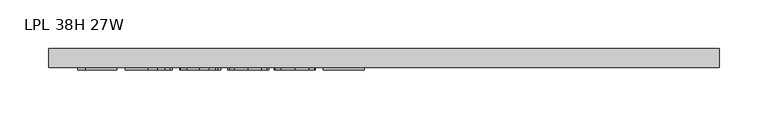
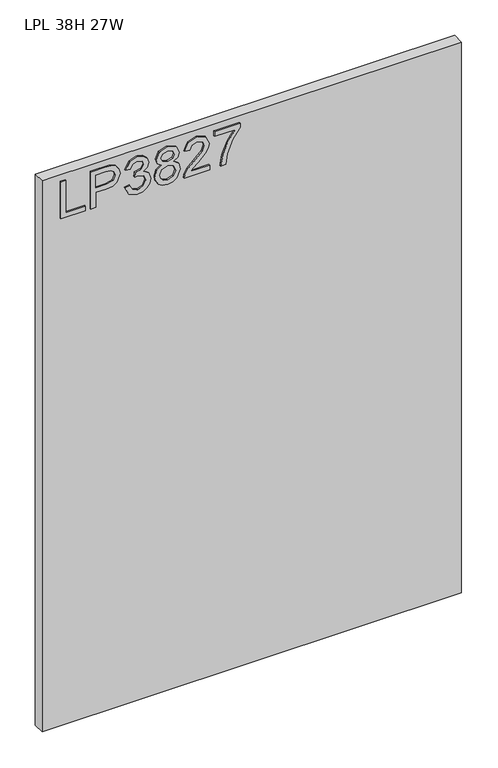
"""IFC4 building model written with IfcOpenShell, lengths in millimetres: furniture geometry, LPL 38H 27W."""

import ifcopenshell
import ifcopenshell.guid

model = None  # the IFC model being written
_history = None  # IfcOwnerHistory: only IFC2X3 demands one
_inside = {}  # id of a spatial element -> (the spatial element, [elements in it])
_under = {}  # id of a project, library or spatial element -> (it, [spatial elements below it])
_declared = {}  # id of a project -> (the project, [libraries it declares])
_typed = {}  # id of a type object -> (the type object, [elements of that type])
_made_of = {}  # id of a material, layer set ... -> (it, [elements and type objects made of it])


def new_model(schema):
    """Start an empty IFC model of exactly this schema.

    Asked for "IFC4X3", IfcOpenShell would pick the latest addendum, in which some entities
    have other attributes; the version numbers below select the first issue.
    IFC2X3 requires an IfcOwnerHistory on every rooted entity: one is made here for all.
    """
    global model, _history
    if schema == "IFC4X3":
        model = ifcopenshell.file(schema_version=(4, 3, 0, 0))
    else:
        model = ifcopenshell.file(schema=schema)
    _inside.clear()
    _under.clear()
    _declared.clear()
    _typed.clear()
    _made_of.clear()
    _history = None
    if model.schema == "IFC2X3":
        org = make("IfcOrganization", Name="unknown")
        user = make(
            "IfcPersonAndOrganization",
            ThePerson=make("IfcPerson", FamilyName="unknown"),
            TheOrganization=org,
        )
        app = make(
            "IfcApplication",
            ApplicationDeveloper=org,
            Version="unknown",
            ApplicationFullName="unknown",
            ApplicationIdentifier="unknown",
        )
        _history = make(
            "IfcOwnerHistory",
            OwningUser=user,
            OwningApplication=app,
            ChangeAction="ADDED",
            CreationDate=0,
        )
    return model


def make(cls, **values):
    """One entity of the class cls with the attributes given. An attribute that is None is left unset."""
    return model.create_entity(
        cls, **{name: value for name, value in values.items() if value is not None}
    )


def rooted(cls, **values):
    """An entity with a GlobalId (a new one), such as an element, a storey or a relation."""
    return make(cls, GlobalId=ifcopenshell.guid.new(), OwnerHistory=_history, **values)


def si_unit(unit_type, name, prefix=None):
    """IfcSIUnit, for example si_unit("LENGTHUNIT", "METRE", prefix="MILLI")."""
    return make("IfcSIUnit", UnitType=unit_type, Prefix=prefix, Name=name)


def assignment(units):
    """IfcUnitAssignment: the units of a project."""
    return None if units is None else make("IfcUnitAssignment", Units=units)


def point(xyz):
    """IfcCartesianPoint."""
    return None if xyz is None else make("IfcCartesianPoint", Coordinates=xyz)


def direction(xyz):
    """IfcDirection."""
    return None if xyz is None else make("IfcDirection", DirectionRatios=xyz)


def frame(location, z_axis=None, x_axis=None):
    """IfcAxis2Placement3D, a coordinate frame: its origin and axes. An axis left out is left unset."""
    return make(
        "IfcAxis2Placement3D",
        Location=point(location),
        Axis=direction(z_axis),
        RefDirection=direction(x_axis),
    )


def origin():
    """The frame at (0, 0, 0) with its axes left unset."""
    return frame((0.0, 0.0, 0.0))


def place(relative_to, where):
    """IfcLocalPlacement: puts the frame where relative to a parent placement (None: the world)."""
    return make(
        "IfcLocalPlacement", PlacementRelTo=relative_to, RelativePlacement=where
    )


def context(
    kind, dimensions, precision=None, world=None, true_north=None, identifier=None
):
    """IfcGeometricRepresentationContext, for example the 3D "Model" context."""
    return make(
        "IfcGeometricRepresentationContext",
        ContextIdentifier=identifier,
        ContextType=kind,
        CoordinateSpaceDimension=dimensions,
        Precision=precision,
        WorldCoordinateSystem=world,
        TrueNorth=true_north,
    )


def project(units=None, contexts=None):
    """IfcProject with its units and contexts."""
    return rooted(
        "IfcProject",
        Name="project",
        RepresentationContexts=contexts,
        UnitsInContext=assignment(units),
    )


def spatial(cls, under=None, at=None, **own):
    """A site, building, storey or space (cls), placed at a placement, below another one or the project."""
    s = rooted(cls, ObjectPlacement=at, **own)
    if under is not None:
        _under.setdefault(under.id(), (under, []))[1].append(s)
    return s


def polyline(points):
    """IfcPolyline through the points."""
    return make("IfcPolyline", Points=[point(p) for p in points])


def outline(outer, holes=None, kind="AREA"):
    """IfcArbitraryClosedProfileDef: a profile drawn as a closed curve; with holes, ...WithVoids."""
    if holes is None:
        return make("IfcArbitraryClosedProfileDef", ProfileType=kind, OuterCurve=outer)
    return make(
        "IfcArbitraryProfileDefWithVoids",
        ProfileType=kind,
        OuterCurve=outer,
        InnerCurves=holes,
    )


def extrude(swept, where, along, depth):
    """IfcExtrudedAreaSolid: the profile swept, set in the frame where, extruded along a direction by depth."""
    return make(
        "IfcExtrudedAreaSolid",
        SweptArea=swept,
        Position=where,
        ExtrudedDirection=direction(along),
        Depth=depth,
    )


def shape(context_of_items, identifier, shape_type, items):
    """IfcShapeRepresentation: the items that make up one representation, for example the "Body"."""
    return make(
        "IfcShapeRepresentation",
        ContextOfItems=context_of_items,
        RepresentationIdentifier=identifier,
        RepresentationType=shape_type,
        Items=items,
    )


def source(mapping_origin, context_of_items, identifier, shape_type, items):
    """IfcRepresentationMap: a shape defined once, which mapped items show again and again."""
    return make(
        "IfcRepresentationMap",
        MappingOrigin=mapping_origin,
        MappedRepresentation=shape(context_of_items, identifier, shape_type, items),
    )


def transform(
    local_origin,
    x_axis=None,
    y_axis=None,
    z_axis=None,
    scale=None,
    scale2=None,
    scale3=None,
    uniform=True,
):
    """IfcCartesianTransformationOperator3D, or its non-uniform kind. x_axis, y_axis, z_axis: its Axis1, 2, 3."""
    if uniform:
        return make(
            "IfcCartesianTransformationOperator3D",
            Axis1=direction(x_axis),
            Axis2=direction(y_axis),
            LocalOrigin=point(local_origin),
            Scale=scale,
            Axis3=direction(z_axis),
        )
    return make(
        "IfcCartesianTransformationOperator3DnonUniform",
        Axis1=direction(x_axis),
        Axis2=direction(y_axis),
        LocalOrigin=point(local_origin),
        Scale=scale,
        Axis3=direction(z_axis),
        Scale2=scale2,
        Scale3=scale3,
    )


def mapped(mapping_source, mapping_target):
    """IfcMappedItem: shows the shape of a source again, moved by a transform."""
    return make(
        "IfcMappedItem", MappingSource=mapping_source, MappingTarget=mapping_target
    )


def made_of(thing, what):
    """Note that an element or type object is made of a material, layer set ...; save() writes the relation."""
    if what is not None:
        _made_of.setdefault(what.id(), (what, []))[1].append(thing)
    return thing


def element(
    cls,
    number,
    at=None,
    inside=None,
    cuts=None,
    type_object=None,
    material=None,
    context=None,
    identifier="Body",
    shape_type=None,
    held_by="IfcProductDefinitionShape",
    body=None,
    shapes=None,
    **own,
):
    """One element of the class cls, such as IfcWall. Its Tag is "e" and its number.

    at: its placement. inside: the storey or other place that contains it. cuts: it is an
    opening in that element (IfcRelVoidsElement). A single representation is given by context,
    identifier, shape_type and body (its items); several are given by shapes. held_by: the class
    of the entity that holds the representations. save() writes the other relations.
    """
    e = rooted(cls, Tag="e%d" % number, ObjectPlacement=at, **own)
    if body is not None:
        shapes = [shape(context, identifier, shape_type, body)]
    if shapes is not None:
        e.Representation = make(held_by, Representations=shapes)
    if inside is not None:
        _inside.setdefault(inside.id(), (inside, []))[1].append(e)
    if cuts is not None:
        rooted(
            "IfcRelVoidsElement", RelatingBuildingElement=cuts, RelatedOpeningElement=e
        )
    if type_object is not None:
        _typed.setdefault(type_object.id(), (type_object, []))[1].append(e)
    return made_of(e, material)


def aggregate(whole, parts):
    """IfcRelAggregates: a whole, such as a stair, and the parts it consists of."""
    return rooted("IfcRelAggregates", RelatingObject=whole, RelatedObjects=parts)


def save(model, path):
    """Write the relations noted so far, then the file.

    IfcRelAggregates (storeys below a building ...), IfcRelContainedInSpatialStructure (elements
    in a storey), IfcRelDefinesByType, IfcRelAssociatesMaterial and IfcRelDeclares: one each for
    every whole, place, type object, material and project.
    """
    for whole, parts in _under.values():
        aggregate(whole, parts)
    for where, things in _inside.values():
        rooted(
            "IfcRelContainedInSpatialStructure",
            RelatedElements=things,
            RelatingStructure=where,
        )
    for kind, things in _typed.values():
        rooted("IfcRelDefinesByType", RelatedObjects=things, RelatingType=kind)
    for what, things in _made_of.values():
        rooted("IfcRelAssociatesMaterial", RelatedObjects=things, RelatingMaterial=what)
    for by, libraries in _declared.values():
        rooted("IfcRelDeclares", RelatingContext=by, RelatedDefinitions=libraries)
    model.write(path)


def lpl_38h_27w_4e51f801(model_context):
    return source(origin(), model_context, "Body", "SweptSolid", [
        extrude(outline(polyline([(1893.8772502, 29.4553512), (1893.8772502, 69.3239493), (1901.8509698, 69.3239493), (1901.8509698, 37.4290708), (1957.6670071, 37.4290708), (1957.6670071, 29.4553512), (1893.8772502, 29.4553512)])), frame((0.0, -21.68525, 0.0), z_axis=(0.0, 1.0, 0.0), x_axis=(0.0, 0.0, 1.0)), (0.0, 0.0, 1.0), 2.38125),
        extrude(outline(polyline([(1893.8772502, 78.2943838), (1893.8772502, 86.2681034), (1919.791839, 86.2681034), (1919.791839, 102.4802951), (1921.2012562, 113.8081941), (1925.4295079, 121.0051769), (1939.2122069, 126.1367015), (1947.9101022, 124.2367137), (1954.0772759, 119.2142047), (1957.059634, 111.4663033), (1957.6670071, 101.9352166), (1957.6670071, 78.2943838), (1893.8772502, 78.2943838)]), holes=[polyline([(1927.7655586, 86.2681034), (1949.6932875, 86.2681034), (1949.6932875, 102.7606212), (1949.148209, 110.7343408), (1945.5351173, 116.1150442), (1938.9318808, 118.1629819), (1930.6934087, 114.6900533), (1927.7655586, 102.9475052), (1927.7655586, 86.2681034)])]), frame((0.0, -21.68525, 0.0), z_axis=(0.0, 1.0, 0.0), x_axis=(0.0, 0.0, 1.0)), (0.0, 0.0, 1.0), 2.38125),
        extrude(outline(polyline([(1910.8214044, 134.1104212), (1897.8796837, 140.4489053), (1892.8805352, 154.434062), (1894.3444603, 162.9567535), (1898.7362356, 169.8675701), (1905.2304565, 174.4462294), (1913.0017183, 175.9724491), (1923.3737833, 172.9200096), (1928.8245682, 164.2299011), (1934.1040427, 170.770843), (1941.4548155, 172.9823043), (1949.4986166, 170.6540405), (1955.4789063, 163.9262145), (1957.6670071, 154.3094726), (1953.2285109, 141.6325043), (1940.722853, 135.1071361), (1939.726138, 143.0808557), (1947.2015001, 146.9898472), (1949.6932875, 154.5897987), (1947.2248607, 162.0963082), (1940.9876054, 165.0085847), (1933.948306, 160.9905775), (1931.7524184, 150.6652336), (1923.7786988, 149.7775343), (1924.6508243, 155.3684822), (1921.3881402, 164.4323588), (1913.1418814, 167.9987295), (1904.3894782, 164.4012115), (1900.8542549, 154.7143881), (1903.4239106, 146.4837029), (1911.8181193, 142.0841408), (1910.8214044, 134.1104212)])), frame((0.0, -21.68525, 0.0), z_axis=(0.0, 1.0, 0.0), x_axis=(0.0, 0.0, 1.0)), (0.0, 0.0, 1.0), 2.38125),
        extrude(outline(polyline([(1929.0114523, 194.5674125), (1923.2180466, 185.970746), (1912.6590976, 182.9494538), (1904.9014626, 184.3900184), (1898.5415647, 188.7117121), (1894.2957926, 195.3850302), (1892.8805352, 203.8804678), (1894.2899525, 212.3759054), (1898.5182042, 219.0492235), (1912.4410662, 224.8114818), (1922.7586233, 221.9069921), (1929.0114523, 213.4271282), (1933.9405192, 220.4897881), (1941.4548155, 222.8180519), (1952.9481848, 217.5852984), (1957.6670071, 203.7714521), (1953.0572005, 190.0821952), (1941.6728469, 184.9428837), (1933.9638797, 187.3022949), (1929.0114523, 194.5674125)]), holes=[polyline([(1941.4392418, 192.9166033), (1947.2637948, 195.7899457), (1949.6932875, 203.8804678), (1947.209287, 211.9476295), (1941.0810474, 214.8443323), (1935.1630524, 212.0410715), (1932.7491333, 203.9739098), (1935.178626, 195.7432246), (1941.4392418, 192.9166033)]), polyline([(1912.9394237, 190.9231734), (1921.3959271, 194.2948732), (1924.7754137, 203.6780101), (1921.3492061, 213.3336862), (1912.6902449, 216.8377622), (1904.1948073, 213.4427019), (1900.8542549, 203.9427625), (1902.4427693, 196.9657578), (1906.9357734, 192.2547223), (1912.9394237, 190.9231734)])]), frame((0.0, -21.68525, 0.0), z_axis=(0.0, 1.0, 0.0), x_axis=(0.0, 0.0, 1.0)), (0.0, 0.0, 1.0), 2.38125),
        extrude(outline(polyline([(1901.8509698, 272.6537995), (1901.8509698, 241.3351469), (1905.9079111, 244.9326649), (1913.5779442, 254.1055572), (1924.5028745, 265.528845), (1932.3208574, 270.2398805), (1939.8818747, 271.6570846), (1952.558843, 266.4009706), (1957.6670071, 252.127701), (1953.0727742, 237.9011524), (1939.726138, 231.7884865), (1938.7294231, 239.7622061), (1946.781011, 243.1183322), (1949.6932875, 251.9563906), (1946.7109295, 260.4362545), (1939.3990909, 263.6833649), (1930.3663617, 260.2415836), (1917.0820202, 246.4744583), (1907.8390464, 236.4917352), (1899.3747561, 231.6483234), (1893.8772502, 230.7917715), (1893.8772502, 272.6537995), (1901.8509698, 272.6537995)])), frame((0.0, -21.68525, 0.0), z_axis=(0.0, 1.0, 0.0), x_axis=(0.0, 0.0, 1.0)), (0.0, 0.0, 1.0), 2.38125),
        extrude(outline(polyline([(1948.6965726, 280.6275191), (1948.6965726, 314.5158275), (1932.196268, 302.4618061), (1911.8648404, 293.7639107), (1893.8772502, 290.5946687), (1893.8772502, 298.5683883), (1911.2107462, 301.5273858), (1933.0683936, 310.6146229), (1950.2227923, 322.4895471), (1956.6702922, 322.4895471), (1956.6702922, 280.6275191), (1948.6965726, 280.6275191)])), frame((0.0, -21.68525, 0.0), z_axis=(0.0, 1.0, 0.0), x_axis=(0.0, 0.0, 1.0)), (0.0, 0.0, 1.0), 2.38125),
        extrude(outline(polyline([(685.8, 0.0), (685.8, -19.304), (0.0, -19.304), (0.0, 0.0), (685.8, 0.0)])), frame((0.0, 0.0, 1016.0), z_axis=(0.0, 0.0, 1.0), x_axis=(1.0, 0.0, 0.0)), (0.0, 0.0, 1.0), 952.5),
    ])


if __name__ == "__main__":
    model = new_model("IFC4")
    model_context = context("Model", 3, world=origin())
    ifc_project = project(units=[si_unit("LENGTHUNIT", "METRE", prefix="MILLI")], contexts=[model_context])
    site = spatial("IfcSite", under=ifc_project)
    building = spatial("IfcBuilding", under=site)
    placement = place(None, origin())
    lpl_38h_27w_shape = lpl_38h_27w_4e51f801(model_context)
    element("IfcFurniture", 1, ObjectType="LPL 38H 27W", at=placement, inside=building, context=model_context, shape_type="MappedRepresentation", body=[
        mapped(lpl_38h_27w_shape, transform((0.0, 0.0, 0.0), x_axis=(1.0, 0.0, 0.0), y_axis=(0.0, 1.0, 0.0), z_axis=(0.0, 0.0, 1.0))),
    ])
    save(model, "model.ifc")
